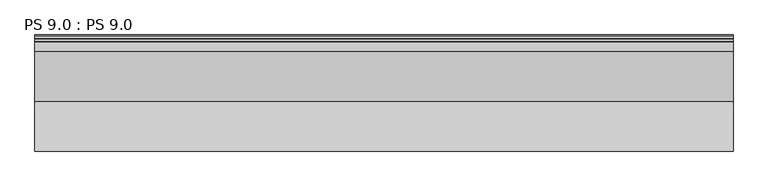
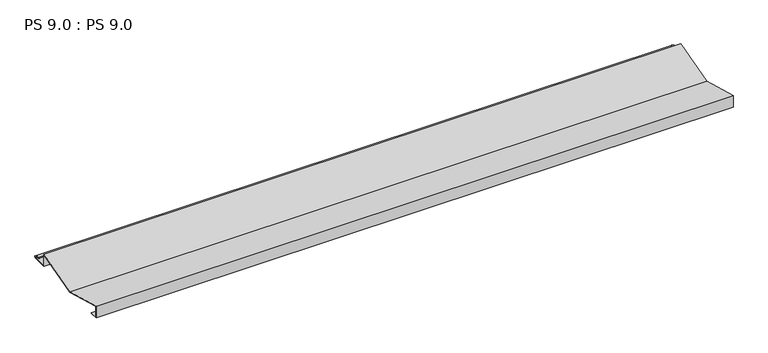
"""IFC4 building model written with IfcOpenShell, lengths in millimetres: proxy geometry, PS 9.0 : PS 9.0."""

from ifc_helpers import new_model, si_unit, point, frame, frame_2d, origin, place, context, project, spatial, polyline, circle_curve, trimmed, segment, composite_curve, outline, extrude, source, transform, mapped, element, save


def ps_9_0_ps_9_0_abceed8c(model_context):
    return source(origin(), model_context, "Body", "SweptSolid", [
        extrude(outline(composite_curve([segment(polyline([(25.0, 0.0), (0.0, 0.0), (0.0, 38.0), (140.0, 0.0), (279.9966446, 38.0), (279.9966446, 0.0), (325.0510156, 0.0)]), True, "CONTINUOUS"), segment(trimmed(circle_curve(frame_2d((324.3094696, 1.9153551)), 2.0538928), [point((325.0510156, 0.0))], [point((325.1748462, 3.778041))], True, "CARTESIAN"), True, "CONTINUOUS"), segment(polyline([(325.1748462, 3.778041), (308.7874714, 6.923107)]), True, "CONTINUOUS"), segment(trimmed(circle_curve(frame_2d((309.4078886, 8.6005442)), 1.7884947), [point((308.7874714, 6.923107))], [point((308.9525789, 10.3301125))], False, "CARTESIAN"), True, "CONTINUOUS"), segment(polyline([(308.9525789, 10.3301125), (316.459338, 11.6715995), (316.635255, 10.6871945), (309.1762081, 9.3542338)]), True, "CONTINUOUS"), segment(trimmed(circle_curve(frame_2d((309.4078886, 8.6005442)), 0.7884947), [point((309.1762081, 9.3542338))], [point((309.0735117, 7.8864603))], True, "CARTESIAN"), True, "CONTINUOUS"), segment(polyline([(309.0735117, 7.8864603), (325.4722719, 4.7392091)]), True, "CONTINUOUS"), segment(trimmed(circle_curve(frame_2d((324.3094696, 1.9153551)), 3.0538928), [point((325.4722719, 4.7392091))], [point((325.2188462, -1.0))], False, "CARTESIAN"), True, "CONTINUOUS"), segment(polyline([(325.2188462, -1.0), (278.9966446, -1.0), (278.9966446, 36.6923811), (140.0000031, -1.036183), (1.0, 36.6923893), (1.0, 1.0), (25.0, 1.0), (25.0, 0.0)]), True, "CONTINUOUS")], self_intersect=False)), frame((0.0, 0.0, 0.0), z_axis=(1.0, 0.0, 0.0), x_axis=(0.0, 1.0, 0.0)), (0.0, 0.0, 1.0), 1968.6),
    ])


if __name__ == "__main__":
    model = new_model("IFC4")
    model_context = context("Model", 3, world=origin())
    ifc_project = project(units=[si_unit("LENGTHUNIT", "METRE", prefix="MILLI")], contexts=[model_context])
    site = spatial("IfcSite", under=ifc_project)
    building = spatial("IfcBuilding", under=site)
    placement = place(None, origin())
    ps_9_0_ps_9_0_shape = ps_9_0_ps_9_0_abceed8c(model_context)
    element("IfcBuildingElementProxy", 1, Name="PS 9.0 : PS 9.0", ObjectType="PS 9.0 : PS 9.0", at=placement, inside=building, context=model_context, shape_type="MappedRepresentation", body=[
        mapped(ps_9_0_ps_9_0_shape, transform((0.0, 0.0, 0.0), x_axis=(1.0, 0.0, 0.0), y_axis=(0.0, 1.0, 0.0), z_axis=(0.0, 0.0, 1.0))),
    ])
    save(model, "model.ifc")
